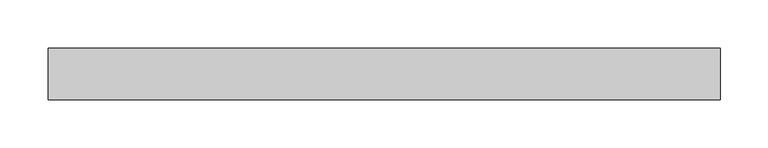
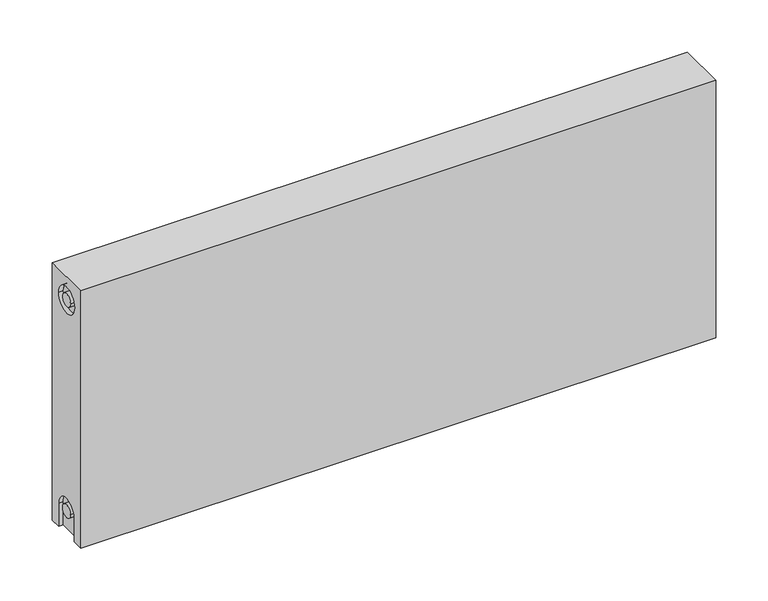
"""IFC4 building model written with IfcOpenShell, lengths in millimetres: proxy geometry."""

from ifc_helpers import new_model, si_unit, frame, origin, place, context, project, spatial, polyline, circle_curve, source, transform, mapped, element, save
from ifc_brep_helpers import plane_surface, cylinder_surface, revolved_surface, advanced_brep


def mechanical_equipment_473ace94(model_context):
    return source(origin(), model_context, "Body", "AdvancedBrep", [
        advanced_brep(
        [(700.0, 27.0, 300.0), (700.0, 27.0, 0.0), (0.0, 27.0, 0.0), (0.0, 27.0, 300.0), (700.0, -27.0, 300.0), (0.0, -27.0, 300.0), (0.0, -27.0, 0.0), (700.0, -27.0, 0.0), (700.0, -15.0, 0.0), (700.0, -15.0, 27.0), (700.0, 15.0, 27.0), (700.0, 15.0, 0.0), (700.0, 14.7242393, 273.0), (700.0, -15.2757607, 273.0), (700.0, -7.5, 27.0), (700.0, 7.5, 27.0), (700.0, 7.2242393, 273.0), (700.0, -7.7757607, 273.0), (695.0, 15.0, 0.0), (695.0, -15.0, 0.0), (0.0, -15.0, 0.0), (5.0, -15.0, 0.0), (5.0, 15.0, 0.0), (0.0, 15.0, 0.0), (0.0, 15.0, 27.0), (0.0, -15.0, 27.0), (0.0, -15.2757607, 273.0), (0.0, 14.7242393, 273.0), (0.0, -7.7757607, 273.0), (0.0, 7.2242393, 273.0), (0.0, 7.5, 27.0), (0.0, -7.5, 27.0), (5.0, -15.2757607, 273.0), (5.0, 14.7242393, 273.0), (5.0, -7.7757607, 273.0), (5.0, 7.2242393, 273.0), (5.0, -15.0, 27.0), (5.0, 15.0, 27.0), (5.0, -7.5, 27.0), (5.0, 7.5, 27.0), (695.0, 15.0, 27.0), (695.0, -15.0, 27.0), (695.0, -7.5, 27.0), (695.0, 7.5, 27.0), (695.0, -15.2757607, 273.0), (695.0, 14.7242393, 273.0), (695.0, -7.7757607, 273.0), (695.0, 7.2242393, 273.0)],
        [
            (0, 1),
            (1, 2),
            (2, 3),
            (3, 0),
            (4, 5),
            (5, 6),
            (6, 7),
            (7, 4),
            (0, 4),
            (7, 8),
            (8, 9),
            (9, 10, circle_curve(frame((700.0, 0.0, 27.0), z_axis=(-1.0, 0.0, 0.0), x_axis=(0.0, 1.0, 0.0)), 15.0)),
            (10, 11),
            (11, 1),
            (12, 13, circle_curve(frame((700.0, -0.2757607, 273.0), z_axis=(-1.0, 0.0, 0.0), x_axis=(0.0, 1.0, 0.0)), 15.0)),
            (13, 12, circle_curve(frame((700.0, -0.2757607, 273.0), z_axis=(-1.0, 0.0, 0.0), x_axis=(0.0, 1.0, 0.0)), 15.0)),
            (14, 15, circle_curve(frame((700.0, 0.0, 27.0), z_axis=(1.0, 0.0, 0.0), x_axis=(0.0, 1.0, 0.0)), 7.5)),
            (15, 14, circle_curve(frame((700.0, 0.0, 27.0), z_axis=(1.0, 0.0, 0.0), x_axis=(0.0, 1.0, 0.0)), 7.5)),
            (16, 17, circle_curve(frame((700.0, -0.2757607, 273.0), z_axis=(1.0, 0.0, 0.0), x_axis=(0.0, 1.0, 0.0)), 7.5)),
            (17, 16, circle_curve(frame((700.0, -0.2757607, 273.0), z_axis=(1.0, 0.0, 0.0), x_axis=(0.0, 1.0, 0.0)), 7.5)),
            (11, 18),
            (18, 19),
            (19, 8),
            (6, 20),
            (20, 21),
            (21, 22),
            (22, 23),
            (23, 2),
            (23, 24),
            (24, 25, circle_curve(frame((0.0, 0.0, 27.0), z_axis=(1.0, 0.0, 0.0), x_axis=(0.0, 1.0, 0.0)), 15.0)),
            (25, 20),
            (5, 3),
            (26, 27, circle_curve(frame((0.0, -0.2757607, 273.0), z_axis=(1.0, 0.0, 0.0), x_axis=(0.0, 1.0, 0.0)), 15.0)),
            (27, 26, circle_curve(frame((0.0, -0.2757607, 273.0), z_axis=(1.0, 0.0, 0.0), x_axis=(0.0, 1.0, 0.0)), 15.0)),
            (28, 29, circle_curve(frame((0.0, -0.2757607, 273.0), z_axis=(-1.0, 0.0, 0.0), x_axis=(0.0, 1.0, 0.0)), 7.5)),
            (29, 28, circle_curve(frame((0.0, -0.2757607, 273.0), z_axis=(-1.0, 0.0, 0.0), x_axis=(0.0, 1.0, 0.0)), 7.5)),
            (30, 31, circle_curve(frame((0.0, 0.0, 27.0), z_axis=(-1.0, 0.0, 0.0), x_axis=(0.0, 1.0, 0.0)), 7.5)),
            (31, 30, circle_curve(frame((0.0, 0.0, 27.0), z_axis=(-1.0, 0.0, 0.0), x_axis=(0.0, 1.0, 0.0)), 7.5)),
            (32, 33, circle_curve(frame((5.0, -0.2757607, 273.0), z_axis=(-1.0, 0.0, 0.0), x_axis=(0.0, 1.0, 0.0)), 15.0)),
            (33, 32, circle_curve(frame((5.0, -0.2757607, 273.0), z_axis=(-1.0, 0.0, 0.0), x_axis=(0.0, 1.0, 0.0)), 15.0)),
            (34, 35, circle_curve(frame((5.0, -0.2757607, 273.0), z_axis=(1.0, 0.0, 0.0), x_axis=(0.0, 1.0, 0.0)), 7.5)),
            (35, 34, circle_curve(frame((5.0, -0.2757607, 273.0), z_axis=(1.0, 0.0, 0.0), x_axis=(0.0, 1.0, 0.0)), 7.5)),
            (33, 27),
            (26, 32),
            (35, 29),
            (28, 34),
            (21, 36),
            (36, 37, circle_curve(frame((5.0, 0.0, 27.0), z_axis=(-1.0, 0.0, 0.0), x_axis=(0.0, 1.0, 0.0)), 15.0)),
            (37, 22),
            (38, 39, circle_curve(frame((5.0, 0.0, 27.0), z_axis=(1.0, 0.0, 0.0), x_axis=(0.0, 1.0, 0.0)), 7.5)),
            (39, 38, circle_curve(frame((5.0, 0.0, 27.0), z_axis=(1.0, 0.0, 0.0), x_axis=(0.0, 1.0, 0.0)), 7.5)),
            (38, 31),
            (30, 39),
            (37, 24),
            (36, 25),
            (18, 40),
            (40, 41, circle_curve(frame((695.0, 0.0, 27.0), z_axis=(1.0, 0.0, 0.0), x_axis=(0.0, 1.0, 0.0)), 15.0)),
            (41, 19),
            (42, 43, circle_curve(frame((695.0, 0.0, 27.0), z_axis=(-1.0, 0.0, 0.0), x_axis=(0.0, 1.0, 0.0)), 7.5)),
            (43, 42, circle_curve(frame((695.0, 0.0, 27.0), z_axis=(-1.0, 0.0, 0.0), x_axis=(0.0, 1.0, 0.0)), 7.5)),
            (43, 15),
            (14, 42),
            (10, 40),
            (9, 41),
            (44, 45, circle_curve(frame((695.0, -0.2757607, 273.0), z_axis=(1.0, 0.0, 0.0), x_axis=(0.0, 1.0, 0.0)), 15.0)),
            (45, 44, circle_curve(frame((695.0, -0.2757607, 273.0), z_axis=(1.0, 0.0, 0.0), x_axis=(0.0, 1.0, 0.0)), 15.0)),
            (46, 47, circle_curve(frame((695.0, -0.2757607, 273.0), z_axis=(-1.0, 0.0, 0.0), x_axis=(0.0, 1.0, 0.0)), 7.5)),
            (47, 46, circle_curve(frame((695.0, -0.2757607, 273.0), z_axis=(-1.0, 0.0, 0.0), x_axis=(0.0, 1.0, 0.0)), 7.5)),
            (44, 13),
            (12, 45),
            (46, 17),
            (16, 47),
        ],
        [
            plane_surface(frame((700.0, 27.0, 300.0), z_axis=(0.0, 1.0, 0.0), x_axis=(0.0, 0.0, -1.0))),
            plane_surface(frame((700.0, -27.0, 300.0), z_axis=(0.0, -1.0, 0.0), x_axis=(0.0, 0.0, 1.0))),
            plane_surface(frame((700.0, 27.0, 300.0), z_axis=(1.0, 0.0, 0.0), x_axis=(0.0, -1.0, 0.0))),
            plane_surface(frame((700.0, 27.0, 0.0), z_axis=(0.0, 0.0, -1.0), x_axis=(0.0, -1.0, 0.0))),
            plane_surface(frame((0.0, 27.0, 0.0), z_axis=(-1.0, 0.0, 0.0), x_axis=(0.0, -1.0, 0.0))),
            plane_surface(frame((0.0, 27.0, 300.0), z_axis=(0.0, 0.0, 1.0), x_axis=(0.0, -1.0, 0.0))),
            plane_surface(frame((5.0, 14.7242393, 273.0), z_axis=(-1.0, 0.0, 0.0), x_axis=(0.0, 0.0, 1.0))),
            revolved_surface(polyline([(5.0, 14.7242393, 273.0), (0.0, 14.7242393, 273.0)]), (0.0, -0.2757607, 273.0), (1.0, 0.0, 0.0)),
            cylinder_surface(frame((0.0, -0.2757607, 273.0), z_axis=(-1.0, 0.0, 0.0), x_axis=(0.0, 1.0, 0.0)), 7.5),
            plane_surface(frame((5.0, 7.5, 27.0), z_axis=(-1.0, 0.0, 0.0), x_axis=(0.0, 0.0, -1.0))),
            cylinder_surface(frame((0.0, 0.0, 27.0), z_axis=(-1.0, 0.0, 0.0), x_axis=(0.0, 1.0, 0.0)), 7.5),
            plane_surface(frame((5.0, 15.0, 0.0), z_axis=(0.0, -1.0, 0.0), x_axis=(-1.0, 0.0, 0.0))),
            revolved_surface(polyline([(5.0, 15.0, 27.0), (0.0, 15.0, 27.0)]), (0.0, 0.0, 27.0), (1.0, 0.0, 0.0)),
            plane_surface(frame((5.0, -15.0, 27.0), z_axis=(0.0, 1.0, 0.0), x_axis=(-1.0, 0.0, 0.0))),
            plane_surface(frame((695.0, 7.5, 27.0), z_axis=(1.0, 0.0, 0.0), x_axis=(0.0, 0.0, 1.0))),
            cylinder_surface(frame((695.0, 0.0, 27.0), z_axis=(-1.0, 0.0, 0.0), x_axis=(0.0, 1.0, 0.0)), 7.5),
            plane_surface(frame((700.0, 15.0, 0.0), z_axis=(0.0, -1.0, 0.0), x_axis=(-1.0, 0.0, 0.0))),
            revolved_surface(polyline([(700.0, 15.0, 27.0), (695.0, 15.0, 27.0)]), (895.0, 0.0, 27.0), (1.0, 0.0, 0.0)),
            plane_surface(frame((700.0, -15.0, 27.0), z_axis=(0.0, 1.0, 0.0), x_axis=(-1.0, 0.0, 0.0))),
            plane_surface(frame((695.0, 14.7242393, 273.0), z_axis=(1.0, 0.0, 0.0), x_axis=(0.0, 0.0, -1.0))),
            revolved_surface(polyline([(700.0, 14.7242393, 273.0), (695.0, 14.7242393, 273.0)]), (695.0, -0.2757607, 273.0), (1.0, 0.0, 0.0)),
            cylinder_surface(frame((895.0, -0.2757607, 273.0), z_axis=(-1.0, 0.0, 0.0), x_axis=(0.0, 1.0, 0.0)), 7.5),
        ],
        [
            (0, [[1, 2, 3, 4]]),
            (1, [[5, 6, 7, 8]]),
            (2, [[-1, 9, -8, 10, 11, 12, 13, 14], [15, 16]]),
            (2, [[17, 18]]),
            (2, [[19, 20]]),
            (3, [[-2, -14, 21, 22, 23, -10, -7, 24, 25, 26, 27, 28]]),
            (4, [[-3, -28, 29, 30, 31, -24, -6, 32], [33, 34]]),
            (4, [[35, 36]]),
            (4, [[37, 38]]),
            (5, [[-4, -32, -5, -9]]),
            (6, [[39, 40], [41, 42]]),
            (7, [[-40, 43, -33, 44]]),
            (7, [[-39, -44, -34, -43]]),
            (8, [[-42, 45, -35, 46]]),
            (8, [[-41, -46, -36, -45]]),
            (9, [[47, 48, 49, -26], [50, 51]]),
            (10, [[-50, 52, -37, 53]]),
            (10, [[-51, -53, -38, -52]]),
            (11, [[-49, 54, -29, -27]]),
            (12, [[-48, 55, -30, -54]]),
            (13, [[-47, -25, -31, -55]]),
            (14, [[56, 57, 58, -22], [59, 60]]),
            (15, [[-60, 61, -17, 62]]),
            (15, [[-59, -62, -18, -61]]),
            (16, [[-56, -21, -13, 63]]),
            (17, [[-57, -63, -12, 64]]),
            (18, [[-58, -64, -11, -23]]),
            (19, [[65, 66], [67, 68]]),
            (20, [[-65, 69, -15, 70]]),
            (20, [[-66, -70, -16, -69]]),
            (21, [[-67, 71, -19, 72]]),
            (21, [[-68, -72, -20, -71]]),
        ],
    ),
    ])


if __name__ == "__main__":
    model = new_model("IFC4")
    model_context = context("Model", 3, world=origin())
    ifc_project = project(units=[si_unit("LENGTHUNIT", "METRE", prefix="MILLI")], contexts=[model_context])
    site = spatial("IfcSite", under=ifc_project)
    building = spatial("IfcBuilding", under=site)
    placement = place(None, origin())
    mechanical_equipment_shape = mechanical_equipment_473ace94(model_context)
    element("IfcBuildingElementProxy", 1, Name="Mechanical Equipment", at=placement, inside=building, context=model_context, shape_type="MappedRepresentation", body=[
        mapped(mechanical_equipment_shape, transform((0.0, 0.0, 0.0), x_axis=(1.0, 0.0, 0.0), y_axis=(0.0, 1.0, 0.0), z_axis=(0.0, 0.0, 1.0))),
    ])
    save(model, "model.ifc")
